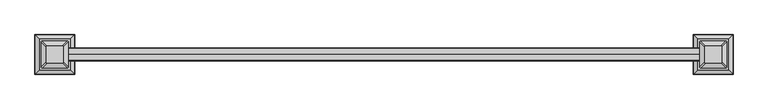
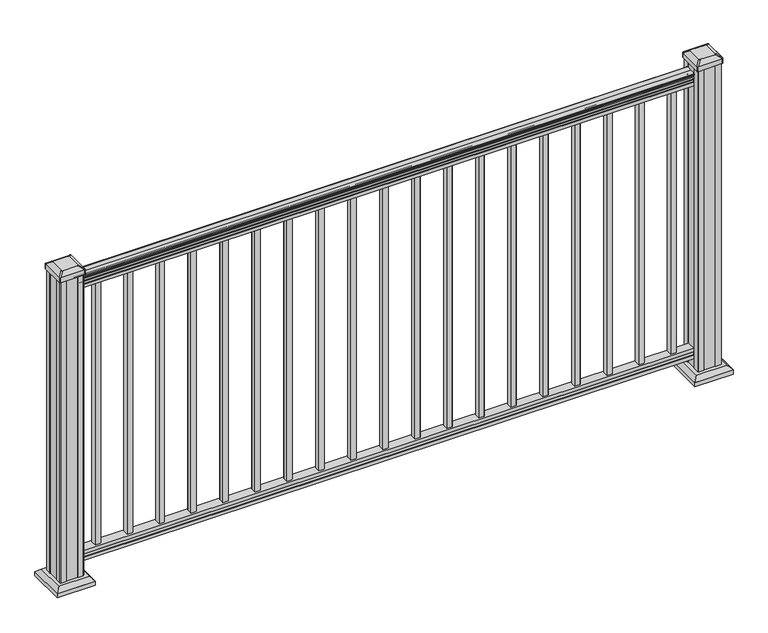
"""IFC4 building model written with IfcOpenShell, lengths in millimetres: railing geometry."""

from ifc_helpers import new_model, si_unit, point, frame, frame_2d, origin, origin_with_axes, place, context, project, spatial, polyline, circle_curve, trimmed, segment, composite_curve, outline, extrude, faceted_brep, source, transform, mapped, element, save
from ifc_brep_helpers import plane_surface, extruded_surface, advanced_brep


def railing_cc5745df(model_context):
    return source(origin(), model_context, "Body", "SolidModel", [
        extrude(outline(composite_curve([segment(trimmed(circle_curve(frame_2d((3347.6690602, 1090.8043297)), 1.2869144), [point((3348.9559745, 1090.8043297))], [point((3346.3821458, 1090.8043297))], False, "CARTESIAN"), True, "CONTINUOUS"), segment(polyline([(3346.3821458, 1090.8043297), (3346.3821458, 1080.147013), (3347.3981458, 1079.131013), (3347.3981458, 1066.8), (3315.6481458, 1066.8), (3315.6481458, 1079.2888283), (3316.6641458, 1080.3048283), (3316.6641458, 1090.8043297)]), True, "CONTINUOUS"), segment(trimmed(circle_curve(frame_2d((3315.3772314, 1090.8043297)), 1.2869144), [point((3316.6641458, 1090.8043297))], [point((3314.0903171, 1090.8043297))], False, "CARTESIAN"), True, "CONTINUOUS"), segment(polyline([(3314.0903171, 1090.8043297), (3314.0903171, 1092.692412)]), True, "CONTINUOUS"), segment(trimmed(circle_curve(frame_2d((3320.4050703, 1098.4506383)), 8.545951), [point((3314.0903171, 1092.692412))], [point((3312.9601308, 1094.2546695))], False, "CARTESIAN"), True, "CONTINUOUS"), segment(trimmed(circle_curve(frame_2d((3319.9680074, 1097.8636577)), 7.882584), [point((3312.9601308, 1094.2546695))], [point((3312.9601308, 1101.4726458))], False, "CARTESIAN"), True, "CONTINUOUS"), segment(trimmed(circle_curve(frame_2d((3309.4546832, 1103.7112527)), 4.1592695), [point((3312.9601308, 1101.4726458))], [point((3313.6093872, 1103.9060812))], True, "CARTESIAN"), True, "CONTINUOUS"), segment(trimmed(circle_curve(frame_2d((3308.1673767, 1103.6508864)), 5.4479907), [point((3313.6093872, 1103.9060812))], [point((3311.1093872, 1108.2362083))], True, "CARTESIAN"), True, "CONTINUOUS"), segment(trimmed(circle_curve(frame_2d((3309.4005351, 1108.233395)), 1.7088543), [point((3311.1093872, 1108.2362083))], [point((3309.7000447, 1109.9157972))], True, "CARTESIAN"), True, "CONTINUOUS"), segment(trimmed(circle_curve(frame_2d((3311.0174352, 1111.0205318)), 1.7192895), [point((3309.7000447, 1109.9157972))], [point((3309.2981457, 1111.0205318))], False, "CARTESIAN"), True, "CONTINUOUS"), segment(polyline([(3309.2981457, 1111.0205318), (3309.2981458, 1112.3608158)]), True, "CONTINUOUS"), segment(trimmed(circle_curve(frame_2d((3310.851593, 1112.3608158)), 1.5534472), [point((3309.2981458, 1112.3608158))], [point((3310.851593, 1113.914263))], False, "CARTESIAN"), True, "CONTINUOUS"), segment(polyline([(3310.851593, 1113.914263), (3331.5231458, 1113.914263), (3352.1946986, 1113.914263)]), True, "CONTINUOUS"), segment(trimmed(circle_curve(frame_2d((3352.1946986, 1112.3608158)), 1.5534472), [point((3352.1946986, 1113.914263))], [point((3353.7481458, 1112.3608158))], False, "CARTESIAN"), True, "CONTINUOUS"), segment(polyline([(3353.7481458, 1112.3608158), (3353.7481458, 1111.0205318)]), True, "CONTINUOUS"), segment(trimmed(circle_curve(frame_2d((3352.0288564, 1111.0205318)), 1.7192895), [point((3353.7481458, 1111.0205318))], [point((3353.3462469, 1109.9157972))], False, "CARTESIAN"), True, "CONTINUOUS"), segment(trimmed(circle_curve(frame_2d((3353.6457565, 1108.233395)), 1.7088543), [point((3353.3462469, 1109.9157972))], [point((3351.9369044, 1108.2362083))], True, "CARTESIAN"), True, "CONTINUOUS"), segment(trimmed(circle_curve(frame_2d((3354.8789149, 1103.6508864)), 5.4479907), [point((3351.9369044, 1108.2362083))], [point((3349.4369044, 1103.9060812))], True, "CARTESIAN"), True, "CONTINUOUS"), segment(trimmed(circle_curve(frame_2d((3353.5916083, 1103.7112527)), 4.1592695), [point((3349.4369044, 1103.9060812))], [point((3350.0861608, 1101.4726458))], True, "CARTESIAN"), True, "CONTINUOUS"), segment(trimmed(circle_curve(frame_2d((3343.0782842, 1097.8636577)), 7.882584), [point((3350.0861608, 1101.4726458))], [point((3350.0861608, 1094.2546695))], False, "CARTESIAN"), True, "CONTINUOUS"), segment(trimmed(circle_curve(frame_2d((3342.6412213, 1098.4506383)), 8.545951), [point((3350.0861608, 1094.2546695))], [point((3348.9559745, 1092.692412))], False, "CARTESIAN"), True, "CONTINUOUS"), segment(polyline([(3348.9559745, 1092.692412), (3348.9559745, 1090.8043297)]), True, "CONTINUOUS")], self_intersect=False)), frame((17048.086903, 0.0, 0.0), z_axis=(1.0, 0.0, 0.0), x_axis=(0.0, 1.0, 0.0)), (0.0, 0.0, 1.0), 2133.6),
        extrude(outline(polyline([(3347.4356327, 76.0541976), (3347.4356327, 63.5), (3315.6856327, 63.5), (3315.6856327, 76.0375508), (3316.7016327, 77.3858283), (3316.7016327, 87.6975248), (3315.6856327, 89.0458024), (3315.6856327, 101.5958781), (3347.4356327, 101.5958781), (3347.4356327, 89.0624492), (3346.4196327, 87.7141717), (3346.4196327, 77.3546183), (3347.4356327, 76.0541976)])), frame((17048.086903, 0.0, 0.0), z_axis=(1.0, 0.0, 0.0), x_axis=(0.0, 1.0, 0.0)), (0.0, 0.0, 1.0), 2133.6),
        extrude(outline(polyline([(19105.486903, 3341.0481458), (19124.536903, 3341.0481458), (19124.536903, 3321.9981458), (19105.486903, 3321.9981458), (19105.486903, 3341.0481458)]), holes=[polyline([(19105.883778, 3340.6512708), (19105.883778, 3322.3950208), (19124.140028, 3322.3950208), (19124.140028, 3340.6512708), (19105.883778, 3340.6512708)])]), frame((0.0, 0.0, 101.5958781), z_axis=(0.0, 0.0, 1.0), x_axis=(1.0, 0.0, 0.0)), (0.0, 0.0, 1.0), 965.2041219),
        extrude(outline(polyline([(18994.361903, 3341.0481458), (19013.411903, 3341.0481458), (19013.411903, 3321.9981458), (18994.361903, 3321.9981458), (18994.361903, 3341.0481458)]), holes=[polyline([(18994.758778, 3340.6512708), (18994.758778, 3322.3950208), (19013.015028, 3322.3950208), (19013.015028, 3340.6512708), (18994.758778, 3340.6512708)])]), frame((0.0, 0.0, 101.5958781), z_axis=(0.0, 0.0, 1.0), x_axis=(1.0, 0.0, 0.0)), (0.0, 0.0, 1.0), 965.2041219),
        extrude(outline(polyline([(18883.236903, 3341.0481458), (18902.286903, 3341.0481458), (18902.286903, 3321.9981458), (18883.236903, 3321.9981458), (18883.236903, 3341.0481458)]), holes=[polyline([(18883.633778, 3340.6512708), (18883.633778, 3322.3950208), (18901.890028, 3322.3950208), (18901.890028, 3340.6512708), (18883.633778, 3340.6512708)])]), frame((0.0, 0.0, 101.5958781), z_axis=(0.0, 0.0, 1.0), x_axis=(1.0, 0.0, 0.0)), (0.0, 0.0, 1.0), 965.2041219),
        extrude(outline(polyline([(18772.111903, 3341.0481458), (18791.161903, 3341.0481458), (18791.161903, 3321.9981458), (18772.111903, 3321.9981458), (18772.111903, 3341.0481458)]), holes=[polyline([(18772.508778, 3340.6512708), (18772.508778, 3322.3950208), (18790.765028, 3322.3950208), (18790.765028, 3340.6512708), (18772.508778, 3340.6512708)])]), frame((0.0, 0.0, 101.5958781), z_axis=(0.0, 0.0, 1.0), x_axis=(1.0, 0.0, 0.0)), (0.0, 0.0, 1.0), 965.2041219),
        extrude(outline(polyline([(18660.986903, 3341.0481458), (18680.036903, 3341.0481458), (18680.036903, 3321.9981458), (18660.986903, 3321.9981458), (18660.986903, 3341.0481458)]), holes=[polyline([(18661.383778, 3340.6512708), (18661.383778, 3322.3950208), (18679.640028, 3322.3950208), (18679.640028, 3340.6512708), (18661.383778, 3340.6512708)])]), frame((0.0, 0.0, 101.5958781), z_axis=(0.0, 0.0, 1.0), x_axis=(1.0, 0.0, 0.0)), (0.0, 0.0, 1.0), 965.2041219),
        extrude(outline(polyline([(18549.861903, 3341.0481458), (18568.911903, 3341.0481458), (18568.911903, 3321.9981458), (18549.861903, 3321.9981458), (18549.861903, 3341.0481458)]), holes=[polyline([(18550.258778, 3340.6512708), (18550.258778, 3322.3950208), (18568.515028, 3322.3950208), (18568.515028, 3340.6512708), (18550.258778, 3340.6512708)])]), frame((0.0, 0.0, 101.5958781), z_axis=(0.0, 0.0, 1.0), x_axis=(1.0, 0.0, 0.0)), (0.0, 0.0, 1.0), 965.2041219),
        extrude(outline(polyline([(18438.736903, 3341.0481458), (18457.786903, 3341.0481458), (18457.786903, 3321.9981458), (18438.736903, 3321.9981458), (18438.736903, 3341.0481458)]), holes=[polyline([(18439.133778, 3340.6512708), (18439.133778, 3322.3950208), (18457.390028, 3322.3950208), (18457.390028, 3340.6512708), (18439.133778, 3340.6512708)])]), frame((0.0, 0.0, 101.5958781), z_axis=(0.0, 0.0, 1.0), x_axis=(1.0, 0.0, 0.0)), (0.0, 0.0, 1.0), 965.2041219),
        extrude(outline(polyline([(18327.611903, 3341.0481458), (18346.661903, 3341.0481458), (18346.661903, 3321.9981458), (18327.611903, 3321.9981458), (18327.611903, 3341.0481458)]), holes=[polyline([(18328.008778, 3340.6512708), (18328.008778, 3322.3950208), (18346.265028, 3322.3950208), (18346.265028, 3340.6512708), (18328.008778, 3340.6512708)])]), frame((0.0, 0.0, 101.5958781), z_axis=(0.0, 0.0, 1.0), x_axis=(1.0, 0.0, 0.0)), (0.0, 0.0, 1.0), 965.2041219),
        extrude(outline(polyline([(18216.486903, 3341.0481458), (18235.536903, 3341.0481458), (18235.536903, 3321.9981458), (18216.486903, 3321.9981458), (18216.486903, 3341.0481458)]), holes=[polyline([(18216.883778, 3340.6512708), (18216.883778, 3322.3950208), (18235.140028, 3322.3950208), (18235.140028, 3340.6512708), (18216.883778, 3340.6512708)])]), frame((0.0, 0.0, 101.5958781), z_axis=(0.0, 0.0, 1.0), x_axis=(1.0, 0.0, 0.0)), (0.0, 0.0, 1.0), 965.2041219),
        extrude(outline(polyline([(18105.361903, 3341.0481458), (18124.411903, 3341.0481458), (18124.411903, 3321.9981458), (18105.361903, 3321.9981458), (18105.361903, 3341.0481458)]), holes=[polyline([(18105.758778, 3340.6512708), (18105.758778, 3322.3950208), (18124.015028, 3322.3950208), (18124.015028, 3340.6512708), (18105.758778, 3340.6512708)])]), frame((0.0, 0.0, 101.5958781), z_axis=(0.0, 0.0, 1.0), x_axis=(1.0, 0.0, 0.0)), (0.0, 0.0, 1.0), 965.2041219),
        extrude(outline(polyline([(17994.236903, 3341.0481458), (18013.286903, 3341.0481458), (18013.286903, 3321.9981458), (17994.236903, 3321.9981458), (17994.236903, 3341.0481458)]), holes=[polyline([(17994.633778, 3340.6512708), (17994.633778, 3322.3950208), (18012.890028, 3322.3950208), (18012.890028, 3340.6512708), (17994.633778, 3340.6512708)])]), frame((0.0, 0.0, 101.5958781), z_axis=(0.0, 0.0, 1.0), x_axis=(1.0, 0.0, 0.0)), (0.0, 0.0, 1.0), 965.2041219),
        extrude(outline(polyline([(17883.111903, 3341.0481458), (17902.161903, 3341.0481458), (17902.161903, 3321.9981458), (17883.111903, 3321.9981458), (17883.111903, 3341.0481458)]), holes=[polyline([(17883.508778, 3340.6512708), (17883.508778, 3322.3950208), (17901.765028, 3322.3950208), (17901.765028, 3340.6512708), (17883.508778, 3340.6512708)])]), frame((0.0, 0.0, 101.5958781), z_axis=(0.0, 0.0, 1.0), x_axis=(1.0, 0.0, 0.0)), (0.0, 0.0, 1.0), 965.2041219),
        extrude(outline(polyline([(17771.986903, 3341.0481458), (17791.036903, 3341.0481458), (17791.036903, 3321.9981458), (17771.986903, 3321.9981458), (17771.986903, 3341.0481458)]), holes=[polyline([(17772.383778, 3340.6512708), (17772.383778, 3322.3950208), (17790.640028, 3322.3950208), (17790.640028, 3340.6512708), (17772.383778, 3340.6512708)])]), frame((0.0, 0.0, 101.5958781), z_axis=(0.0, 0.0, 1.0), x_axis=(1.0, 0.0, 0.0)), (0.0, 0.0, 1.0), 965.2041219),
        extrude(outline(polyline([(17660.861903, 3341.0481458), (17679.911903, 3341.0481458), (17679.911903, 3321.9981458), (17660.861903, 3321.9981458), (17660.861903, 3341.0481458)]), holes=[polyline([(17661.258778, 3340.6512708), (17661.258778, 3322.3950208), (17679.515028, 3322.3950208), (17679.515028, 3340.6512708), (17661.258778, 3340.6512708)])]), frame((0.0, 0.0, 101.5958781), z_axis=(0.0, 0.0, 1.0), x_axis=(1.0, 0.0, 0.0)), (0.0, 0.0, 1.0), 965.2041219),
        extrude(outline(polyline([(17549.736903, 3341.0481458), (17568.786903, 3341.0481458), (17568.786903, 3321.9981458), (17549.736903, 3321.9981458), (17549.736903, 3341.0481458)]), holes=[polyline([(17550.133778, 3340.6512708), (17550.133778, 3322.3950208), (17568.390028, 3322.3950208), (17568.390028, 3340.6512708), (17550.133778, 3340.6512708)])]), frame((0.0, 0.0, 101.5958781), z_axis=(0.0, 0.0, 1.0), x_axis=(1.0, 0.0, 0.0)), (0.0, 0.0, 1.0), 965.2041219),
        extrude(outline(polyline([(17438.611903, 3341.0481458), (17457.661903, 3341.0481458), (17457.661903, 3321.9981458), (17438.611903, 3321.9981458), (17438.611903, 3341.0481458)]), holes=[polyline([(17439.008778, 3340.6512708), (17439.008778, 3322.3950208), (17457.265028, 3322.3950208), (17457.265028, 3340.6512708), (17439.008778, 3340.6512708)])]), frame((0.0, 0.0, 101.5958781), z_axis=(0.0, 0.0, 1.0), x_axis=(1.0, 0.0, 0.0)), (0.0, 0.0, 1.0), 965.2041219),
        extrude(outline(polyline([(17327.486903, 3341.0481458), (17346.536903, 3341.0481458), (17346.536903, 3321.9981458), (17327.486903, 3321.9981458), (17327.486903, 3341.0481458)]), holes=[polyline([(17327.883778, 3340.6512708), (17327.883778, 3322.3950208), (17346.140028, 3322.3950208), (17346.140028, 3340.6512708), (17327.883778, 3340.6512708)])]), frame((0.0, 0.0, 101.5958781), z_axis=(0.0, 0.0, 1.0), x_axis=(1.0, 0.0, 0.0)), (0.0, 0.0, 1.0), 965.2041219),
        extrude(outline(polyline([(17216.361903, 3341.0481458), (17235.411903, 3341.0481458), (17235.411903, 3321.9981458), (17216.361903, 3321.9981458), (17216.361903, 3341.0481458)]), holes=[polyline([(17216.758778, 3340.6512708), (17216.758778, 3322.3950208), (17235.015028, 3322.3950208), (17235.015028, 3340.6512708), (17216.758778, 3340.6512708)])]), frame((0.0, 0.0, 101.5958781), z_axis=(0.0, 0.0, 1.0), x_axis=(1.0, 0.0, 0.0)), (0.0, 0.0, 1.0), 965.2041219),
        extrude(outline(polyline([(17105.236903, 3341.0481458), (17124.286903, 3341.0481458), (17124.286903, 3321.9981458), (17105.236903, 3321.9981458), (17105.236903, 3341.0481458)]), holes=[polyline([(17105.633778, 3340.6512708), (17105.633778, 3322.3950208), (17123.890028, 3322.3950208), (17123.890028, 3340.6512708), (17105.633778, 3340.6512708)])]), frame((0.0, 0.0, 101.5958781), z_axis=(0.0, 0.0, 1.0), x_axis=(1.0, 0.0, 0.0)), (0.0, 0.0, 1.0), 965.2041219),
        faceted_brep([(19170.3759655, 3384.1090833, 28.575), (19170.3759655, 3278.9372083, 28.575), (19275.5478405, 3278.9372083, 28.575), (19275.5478405, 3384.1090833, 28.575), (19156.3365123, 3398.1485364, 15.24), (19289.5872936, 3398.1485364, 15.24), (19289.5872936, 3264.8977552, 15.24), (19156.3365123, 3264.8977552, 15.24)], [[[0, 1, 2, 3]], [[4, 5, 6, 7]], [[4, 7, 1, 0]], [[7, 6, 2, 1]], [[6, 5, 3, 2]], [[5, 4, 0, 3]]]),
        extrude(outline(polyline([(19156.3365123, 3398.1485364), (19289.5872936, 3398.1485364), (19289.5872936, 3264.8977552), (19156.3365123, 3264.8977552), (19156.3365123, 3398.1485364)])), origin_with_axes(), (0.0, 0.0, 1.0), 15.24),
        advanced_brep(
        [(19193.990028, 3305.7262708, 1165.225), (19197.165028, 3302.5512708, 1165.225), (19248.758778, 3302.5512708, 1165.225), (19251.933778, 3305.7262708, 1165.225), (19251.933778, 3357.3200208, 1165.225), (19248.758778, 3360.4950208, 1165.225), (19197.165028, 3360.4950208, 1165.225), (19193.990028, 3357.3200208, 1165.225), (19177.718153, 3289.4543958, 1153.922), (19177.718153, 3373.5918958, 1153.922), (19180.893153, 3376.7668958, 1153.922), (19265.030653, 3376.7668958, 1153.922), (19268.205653, 3373.5918958, 1153.922), (19268.205653, 3289.4543958, 1153.922), (19265.030653, 3286.2793958, 1153.922), (19180.893153, 3286.2793958, 1153.922)],
        [
            (0, 1, circle_curve(frame((19197.165028, 3305.7262708, 1165.225), z_axis=(0.0, 0.0, 1.0), x_axis=(1.0, 0.0, 0.0)), 3.175)),
            (1, 2),
            (2, 3, circle_curve(frame((19248.758778, 3305.7262708, 1165.225), z_axis=(0.0, 0.0, 1.0), x_axis=(1.0, 0.0, 0.0)), 3.175)),
            (3, 4),
            (4, 5, circle_curve(frame((19248.758778, 3357.3200208, 1165.225), z_axis=(0.0, 0.0, 1.0), x_axis=(1.0, 0.0, 0.0)), 3.175)),
            (5, 6),
            (6, 7, circle_curve(frame((19197.165028, 3357.3200208, 1165.225), z_axis=(0.0, 0.0, 1.0), x_axis=(1.0, 0.0, 0.0)), 3.175)),
            (7, 0),
            (8, 9),
            (9, 10, circle_curve(frame((19180.893153, 3373.5918958, 1153.922), z_axis=(0.0, 0.0, -1.0), x_axis=(1.0, 0.0, 0.0)), 3.175)),
            (10, 11),
            (11, 12, circle_curve(frame((19265.030653, 3373.5918958, 1153.922), z_axis=(0.0, 0.0, -1.0), x_axis=(1.0, 0.0, 0.0)), 3.175)),
            (12, 13),
            (13, 14, circle_curve(frame((19265.030653, 3289.4543958, 1153.922), z_axis=(0.0, 0.0, -1.0), x_axis=(1.0, 0.0, 0.0)), 3.175)),
            (14, 15),
            (15, 8, circle_curve(frame((19180.893153, 3289.4543958, 1153.922), z_axis=(0.0, 0.0, -1.0), x_axis=(1.0, 0.0, 0.0)), 3.175)),
            (15, 1),
            (0, 8),
            (14, 2),
            (13, 3),
            (12, 4),
            (11, 5),
            (10, 6),
            (9, 7),
        ],
        [
            plane_surface(frame((19222.961903, 3331.5231458, 1165.225), z_axis=(0.0, 0.0, 1.0), x_axis=(0.0, -1.0, 0.0))),
            plane_surface(frame((19222.961903, 3331.5231458, 1153.922), z_axis=(0.0, 0.0, -1.0), x_axis=(0.0, -1.0, 0.0))),
            extruded_surface(trimmed(circle_curve(frame((19180.893153, 3289.4543958, 1153.922), z_axis=(0.0, 0.0, 1.0), x_axis=(1.0, 0.0, 0.0)), 3.175), [point((19177.718153, 3289.4543958, 1153.922))], [point((19180.893153, 3286.2793958, 1153.922))], True, "CARTESIAN"), (16.271874999998545, 16.27187499999991, 11.302999999999884), 25.63797263886513),
            plane_surface(frame((19222.961903, 3286.2793958, 1153.922), z_axis=(0.0, -0.5705009161540777, 0.8212969649690409), x_axis=(1.0, 0.0, 0.0))),
            extruded_surface(trimmed(circle_curve(frame((19265.030653, 3289.4543958, 1153.922), z_axis=(0.0, 0.0, 1.0), x_axis=(1.0, 0.0, 0.0)), 3.175), [point((19265.030653, 3286.2793958, 1153.922))], [point((19268.205653, 3289.4543958, 1153.922))], True, "CARTESIAN"), (-16.271875000002183, 16.27187499999991, 11.302999999999884), 25.63797263886744),
            plane_surface(frame((19268.205653, 3331.5231458, 1153.922), z_axis=(0.5705009161540291, 0.0, 0.8212969649690747), x_axis=(0.0, 1.0, 0.0))),
            extruded_surface(trimmed(circle_curve(frame((19265.030653, 3373.5918958, 1153.922), z_axis=(0.0, 0.0, 1.0), x_axis=(1.0, 0.0, 0.0)), 3.175), [point((19268.205653, 3373.5918958, 1153.922))], [point((19265.030653, 3376.7668958, 1153.922))], True, "CARTESIAN"), (-16.271875000002183, -16.271875000000364, 11.302999999999884), 25.637972638867726),
            plane_surface(frame((19222.961903, 3376.7668958, 1153.922), z_axis=(0.0, 0.5705009161540143, 0.821296964969085), x_axis=(-1.0, 0.0, 0.0))),
            extruded_surface(trimmed(circle_curve(frame((19180.893153, 3373.5918958, 1153.922), z_axis=(0.0, 0.0, 1.0), x_axis=(1.0, 0.0, 0.0)), 3.175), [point((19180.893153, 3376.7668958, 1153.922))], [point((19177.718153, 3373.5918958, 1153.922))], True, "CARTESIAN"), (16.271874999998545, -16.271875000000364, 11.302999999999884), 25.63797263886542),
            plane_surface(frame((19177.718153, 3331.5231458, 1153.922), z_axis=(-0.570500916154034, 0.0, 0.8212969649690713), x_axis=(0.0, -1.0, 0.0))),
        ],
        [
            (0, [[1, 2, 3, 4, 5, 6, 7, 8]]),
            (1, [[9, 10, 11, 12, 13, 14, 15, 16]]),
            (2, [[-16, 17, -1, 18]]),
            (3, [[-15, 19, -2, -17]]),
            (4, [[-14, 20, -3, -19]]),
            (5, [[-13, 21, -4, -20]]),
            (6, [[-12, 22, -5, -21]]),
            (7, [[-11, 23, -6, -22]]),
            (8, [[-10, 24, -7, -23]]),
            (9, [[-9, -18, -8, -24]]),
        ],
    ),
        extrude(outline(composite_curve([segment(polyline([(19177.718153, 3289.4543958), (19177.718153, 3373.5918958)]), True, "CONTINUOUS"), segment(trimmed(circle_curve(frame_2d((19180.893153, 3373.5918958)), 3.175), [point((19177.718153, 3373.5918958))], [point((19180.893153, 3376.7668958))], False, "CARTESIAN"), True, "CONTINUOUS"), segment(polyline([(19180.893153, 3376.7668958), (19265.030653, 3376.7668958)]), True, "CONTINUOUS"), segment(trimmed(circle_curve(frame_2d((19265.030653, 3373.5918958)), 3.175), [point((19265.030653, 3376.7668958))], [point((19268.205653, 3373.5918958))], False, "CARTESIAN"), True, "CONTINUOUS"), segment(polyline([(19268.205653, 3373.5918958), (19268.205653, 3289.4543958)]), True, "CONTINUOUS"), segment(trimmed(circle_curve(frame_2d((19265.030653, 3289.4543958)), 3.175), [point((19268.205653, 3289.4543958))], [point((19265.030653, 3286.2793958))], False, "CARTESIAN"), True, "CONTINUOUS"), segment(polyline([(19265.030653, 3286.2793958), (19180.893153, 3286.2793958)]), True, "CONTINUOUS"), segment(trimmed(circle_curve(frame_2d((19180.893153, 3289.4543958)), 3.175), [point((19180.893153, 3286.2793958))], [point((19177.718153, 3289.4543958))], False, "CARTESIAN"), True, "CONTINUOUS")], self_intersect=False)), frame((0.0, 0.0, 1136.65), z_axis=(0.0, 0.0, 1.0), x_axis=(1.0, 0.0, 0.0)), (0.0, 0.0, 1.0), 17.272),
        extrude(outline(polyline([(19181.686903, 3291.8356458), (19181.686903, 3311.4571458), (19183.274403, 3312.2191458), (19183.274403, 3350.8271458), (19181.686903, 3351.5891458), (19181.686903, 3371.2106458), (19183.274403, 3372.7981458), (19202.895903, 3372.7981458), (19203.657903, 3371.2106458), (19242.265903, 3371.2106458), (19243.027903, 3372.7981458), (19262.649403, 3372.7981458), (19264.236903, 3371.2106458), (19264.236903, 3351.5891458), (19262.649403, 3350.8271458), (19262.649403, 3312.2191458), (19264.236903, 3311.4571458), (19264.236903, 3291.8356458), (19262.649403, 3290.2481458), (19243.027903, 3290.2481458), (19242.265903, 3291.8356458), (19203.657903, 3291.8356458), (19202.895903, 3290.2481458), (19183.274403, 3290.2481458), (19181.686903, 3291.8356458)])), origin_with_axes(), (0.0, 0.0, 1.0), 1136.65),
        faceted_brep([(16954.2259655, 3384.1090833, 28.575), (16954.2259655, 3278.9372083, 28.575), (17059.3978405, 3278.9372083, 28.575), (17059.3978405, 3384.1090833, 28.575), (16940.1865123, 3398.1485364, 15.24), (17073.4372936, 3398.1485364, 15.24), (17073.4372936, 3264.8977552, 15.24), (16940.1865123, 3264.8977552, 15.24)], [[[0, 1, 2, 3]], [[4, 5, 6, 7]], [[4, 7, 1, 0]], [[7, 6, 2, 1]], [[6, 5, 3, 2]], [[5, 4, 0, 3]]]),
        extrude(outline(polyline([(16940.1865123, 3398.1485364), (17073.4372936, 3398.1485364), (17073.4372936, 3264.8977552), (16940.1865123, 3264.8977552), (16940.1865123, 3398.1485364)])), origin_with_axes(), (0.0, 0.0, 1.0), 15.24),
        advanced_brep(
        [(16977.840028, 3305.7262708, 1165.225), (16981.015028, 3302.5512708, 1165.225), (17032.608778, 3302.5512708, 1165.225), (17035.783778, 3305.7262708, 1165.225), (17035.783778, 3357.3200208, 1165.225), (17032.608778, 3360.4950208, 1165.225), (16981.015028, 3360.4950208, 1165.225), (16977.840028, 3357.3200208, 1165.225), (16961.568153, 3289.4543958, 1153.922), (16961.568153, 3373.5918958, 1153.922), (16964.743153, 3376.7668958, 1153.922), (17048.880653, 3376.7668958, 1153.922), (17052.055653, 3373.5918958, 1153.922), (17052.055653, 3289.4543958, 1153.922), (17048.880653, 3286.2793958, 1153.922), (16964.743153, 3286.2793958, 1153.922)],
        [
            (0, 1, circle_curve(frame((16981.015028, 3305.7262708, 1165.225), z_axis=(0.0, 0.0, 1.0), x_axis=(1.0, 0.0, 0.0)), 3.175)),
            (1, 2),
            (2, 3, circle_curve(frame((17032.608778, 3305.7262708, 1165.225), z_axis=(0.0, 0.0, 1.0), x_axis=(1.0, 0.0, 0.0)), 3.175)),
            (3, 4),
            (4, 5, circle_curve(frame((17032.608778, 3357.3200208, 1165.225), z_axis=(0.0, 0.0, 1.0), x_axis=(1.0, 0.0, 0.0)), 3.175)),
            (5, 6),
            (6, 7, circle_curve(frame((16981.015028, 3357.3200208, 1165.225), z_axis=(0.0, 0.0, 1.0), x_axis=(1.0, 0.0, 0.0)), 3.175)),
            (7, 0),
            (8, 9),
            (9, 10, circle_curve(frame((16964.743153, 3373.5918958, 1153.922), z_axis=(0.0, 0.0, -1.0), x_axis=(1.0, 0.0, 0.0)), 3.175)),
            (10, 11),
            (11, 12, circle_curve(frame((17048.880653, 3373.5918958, 1153.922), z_axis=(0.0, 0.0, -1.0), x_axis=(1.0, 0.0, 0.0)), 3.175)),
            (12, 13),
            (13, 14, circle_curve(frame((17048.880653, 3289.4543958, 1153.922), z_axis=(0.0, 0.0, -1.0), x_axis=(1.0, 0.0, 0.0)), 3.175)),
            (14, 15),
            (15, 8, circle_curve(frame((16964.743153, 3289.4543958, 1153.922), z_axis=(0.0, 0.0, -1.0), x_axis=(1.0, 0.0, 0.0)), 3.175)),
            (15, 1),
            (0, 8),
            (14, 2),
            (13, 3),
            (12, 4),
            (11, 5),
            (10, 6),
            (9, 7),
        ],
        [
            plane_surface(frame((17006.811903, 3331.5231458, 1165.225), z_axis=(0.0, 0.0, 1.0), x_axis=(0.0, -1.0, 0.0))),
            plane_surface(frame((17006.811903, 3331.5231458, 1153.922), z_axis=(0.0, 0.0, -1.0), x_axis=(0.0, -1.0, 0.0))),
            extruded_surface(trimmed(circle_curve(frame((16964.743153, 3289.4543958, 1153.922), z_axis=(0.0, 0.0, 1.0), x_axis=(1.0, 0.0, 0.0)), 3.175), [point((16961.568153, 3289.4543958, 1153.922))], [point((16964.743153, 3286.2793958, 1153.922))], True, "CARTESIAN"), (16.271875000002183, 16.27187499999991, 11.302999999999884), 25.63797263886744),
            plane_surface(frame((17006.811903, 3286.2793958, 1153.922), z_axis=(0.0, -0.5705009161540777, 0.8212969649690409), x_axis=(1.0, 0.0, 0.0))),
            extruded_surface(trimmed(circle_curve(frame((17048.880653, 3289.4543958, 1153.922), z_axis=(0.0, 0.0, 1.0), x_axis=(1.0, 0.0, 0.0)), 3.175), [point((17048.880653, 3286.2793958, 1153.922))], [point((17052.055653, 3289.4543958, 1153.922))], True, "CARTESIAN"), (-16.271874999998545, 16.27187499999991, 11.302999999999884), 25.63797263886513),
            plane_surface(frame((17052.055653, 3331.5231458, 1153.922), z_axis=(0.5705009161540291, 0.0, 0.8212969649690747), x_axis=(0.0, 1.0, 0.0))),
            extruded_surface(trimmed(circle_curve(frame((17048.880653, 3373.5918958, 1153.922), z_axis=(0.0, 0.0, 1.0), x_axis=(1.0, 0.0, 0.0)), 3.175), [point((17052.055653, 3373.5918958, 1153.922))], [point((17048.880653, 3376.7668958, 1153.922))], True, "CARTESIAN"), (-16.271874999998545, -16.271875000000364, 11.302999999999884), 25.63797263886542),
            plane_surface(frame((17006.811903, 3376.7668958, 1153.922), z_axis=(0.0, 0.5705009161540143, 0.821296964969085), x_axis=(-1.0, 0.0, 0.0))),
            extruded_surface(trimmed(circle_curve(frame((16964.743153, 3373.5918958, 1153.922), z_axis=(0.0, 0.0, 1.0), x_axis=(1.0, 0.0, 0.0)), 3.175), [point((16964.743153, 3376.7668958, 1153.922))], [point((16961.568153, 3373.5918958, 1153.922))], True, "CARTESIAN"), (16.271875000002183, -16.271875000000364, 11.302999999999884), 25.637972638867726),
            plane_surface(frame((16961.568153, 3331.5231458, 1153.922), z_axis=(-0.570500916154034, 0.0, 0.8212969649690713), x_axis=(0.0, -1.0, 0.0))),
        ],
        [
            (0, [[1, 2, 3, 4, 5, 6, 7, 8]]),
            (1, [[9, 10, 11, 12, 13, 14, 15, 16]]),
            (2, [[-16, 17, -1, 18]]),
            (3, [[-15, 19, -2, -17]]),
            (4, [[-14, 20, -3, -19]]),
            (5, [[-13, 21, -4, -20]]),
            (6, [[-12, 22, -5, -21]]),
            (7, [[-11, 23, -6, -22]]),
            (8, [[-10, 24, -7, -23]]),
            (9, [[-9, -18, -8, -24]]),
        ],
    ),
        extrude(outline(composite_curve([segment(polyline([(16961.568153, 3289.4543958), (16961.568153, 3373.5918958)]), True, "CONTINUOUS"), segment(trimmed(circle_curve(frame_2d((16964.743153, 3373.5918958)), 3.175), [point((16961.568153, 3373.5918958))], [point((16964.743153, 3376.7668958))], False, "CARTESIAN"), True, "CONTINUOUS"), segment(polyline([(16964.743153, 3376.7668958), (17048.880653, 3376.7668958)]), True, "CONTINUOUS"), segment(trimmed(circle_curve(frame_2d((17048.880653, 3373.5918958)), 3.175), [point((17048.880653, 3376.7668958))], [point((17052.055653, 3373.5918958))], False, "CARTESIAN"), True, "CONTINUOUS"), segment(polyline([(17052.055653, 3373.5918958), (17052.055653, 3289.4543958)]), True, "CONTINUOUS"), segment(trimmed(circle_curve(frame_2d((17048.880653, 3289.4543958)), 3.175), [point((17052.055653, 3289.4543958))], [point((17048.880653, 3286.2793958))], False, "CARTESIAN"), True, "CONTINUOUS"), segment(polyline([(17048.880653, 3286.2793958), (16964.743153, 3286.2793958)]), True, "CONTINUOUS"), segment(trimmed(circle_curve(frame_2d((16964.743153, 3289.4543958)), 3.175), [point((16964.743153, 3286.2793958))], [point((16961.568153, 3289.4543958))], False, "CARTESIAN"), True, "CONTINUOUS")], self_intersect=False)), frame((0.0, 0.0, 1136.65), z_axis=(0.0, 0.0, 1.0), x_axis=(1.0, 0.0, 0.0)), (0.0, 0.0, 1.0), 17.272),
        extrude(outline(polyline([(16965.536903, 3291.8356458), (16965.536903, 3311.4571458), (16967.124403, 3312.2191458), (16967.124403, 3350.8271458), (16965.536903, 3351.5891458), (16965.536903, 3371.2106458), (16967.124403, 3372.7981458), (16986.745903, 3372.7981458), (16987.507903, 3371.2106458), (17026.115903, 3371.2106458), (17026.877903, 3372.7981458), (17046.499403, 3372.7981458), (17048.086903, 3371.2106458), (17048.086903, 3351.5891458), (17046.499403, 3350.8271458), (17046.499403, 3312.2191458), (17048.086903, 3311.4571458), (17048.086903, 3291.8356458), (17046.499403, 3290.2481458), (17026.877903, 3290.2481458), (17026.115903, 3291.8356458), (16987.507903, 3291.8356458), (16986.745903, 3290.2481458), (16967.124403, 3290.2481458), (16965.536903, 3291.8356458)])), origin_with_axes(), (0.0, 0.0, 1.0), 1136.65),
    ])


if __name__ == "__main__":
    model = new_model("IFC4")
    model_context = context("Model", 3, world=origin())
    ifc_project = project(units=[si_unit("LENGTHUNIT", "METRE", prefix="MILLI")], contexts=[model_context])
    site = spatial("IfcSite", under=ifc_project)
    building = spatial("IfcBuilding", under=site)
    placement = place(None, origin())
    railing_shape = railing_cc5745df(model_context)
    element("IfcRailing", 1, at=placement, inside=building, context=model_context, shape_type="MappedRepresentation", body=[
        mapped(railing_shape, transform((0.0, 0.0, 0.0), x_axis=(1.0, 0.0, 0.0), y_axis=(0.0, 1.0, 0.0), z_axis=(0.0, 0.0, 1.0))),
    ])
    save(model, "model.ifc")
